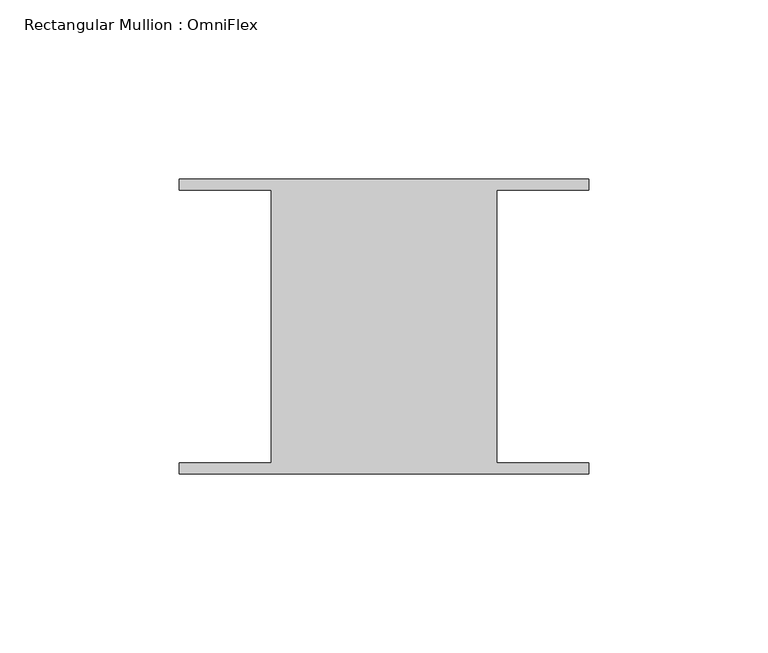
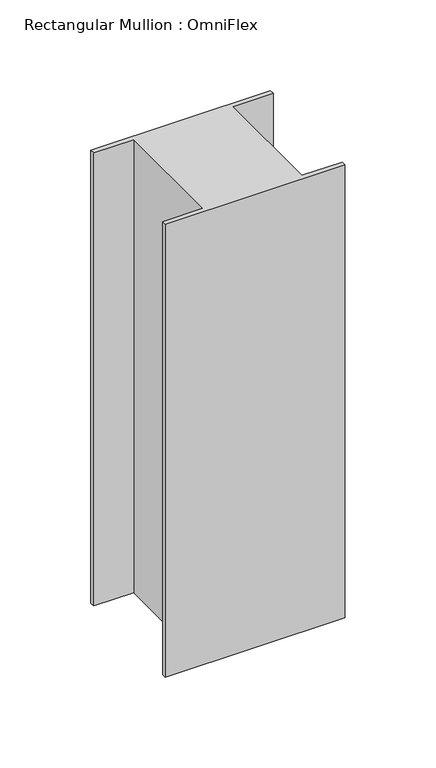
"""IFC4 building model written with IfcOpenShell, lengths in millimetres: member geometry, Rectangular Mullion : OmniFlex."""

from ifc_helpers import new_model, si_unit, frame, origin, place, context, project, spatial, polyline, outline, extrude, source, transform, mapped, element, save


def rectangular_mullion_omniflex_a4bd63bb(model_context):
    return source(origin(), model_context, "Body", "SweptSolid", [
        extrude(outline(polyline([(-57.15, 38.0620588), (-57.15, 41.13784), (57.15, 41.13784), (57.15, 38.0620587), (31.4523437, 38.0620588), (31.4523437, -38.0620587), (57.15, -38.0620588), (57.15, -41.13784), (-57.15, -41.13784), (-57.15, -38.0620587), (-31.4523438, -38.0620587), (-31.4523438, 38.0620588), (-57.15, 38.0620588)])), frame((0.0, 0.0, -304.8), z_axis=(0.0, 0.0, 1.0), x_axis=(1.0, 0.0, 0.0)), (0.0, 0.0, 1.0), 304.8),
    ])


if __name__ == "__main__":
    model = new_model("IFC4")
    model_context = context("Model", 3, world=origin())
    ifc_project = project(units=[si_unit("LENGTHUNIT", "METRE", prefix="MILLI")], contexts=[model_context])
    site = spatial("IfcSite", under=ifc_project)
    building = spatial("IfcBuilding", under=site)
    placement = place(None, origin())
    rectangular_mullion_omniflex_shape = rectangular_mullion_omniflex_a4bd63bb(model_context)
    element("IfcMember", 1, ObjectType="Rectangular Mullion : OmniFlex", at=placement, inside=building, context=model_context, shape_type="MappedRepresentation", body=[
        mapped(rectangular_mullion_omniflex_shape, transform((0.0, 0.0, 0.0), x_axis=(1.0, 0.0, 0.0), y_axis=(0.0, 1.0, 0.0), z_axis=(0.0, 0.0, 1.0))),
    ])
    save(model, "model.ifc")
